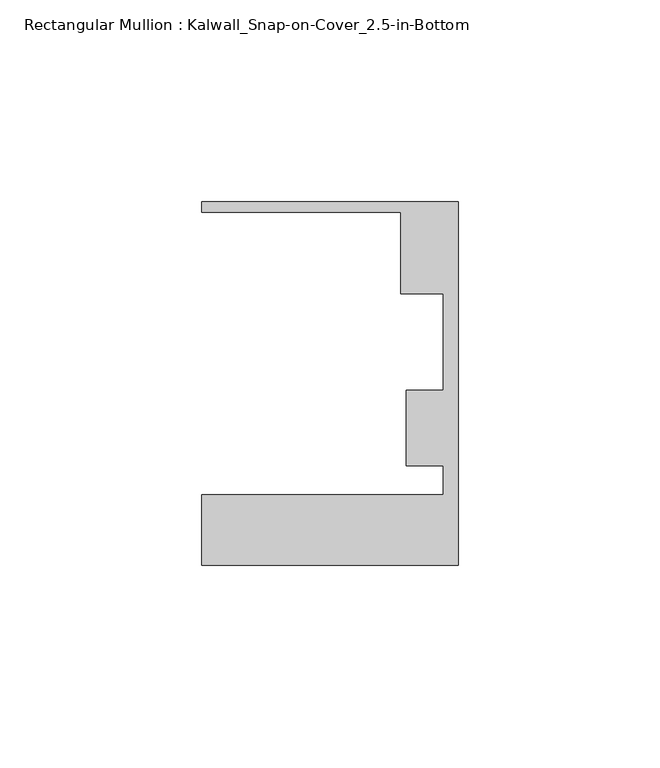
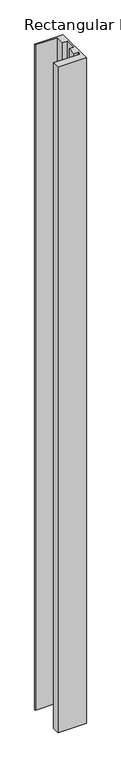
"""IFC4 building model written with IfcOpenShell, lengths in millimetres: member geometry, Rectangular Mullion : Kalwall_Snap-on-Cover_2.5-in-Bottom."""

from ifc_helpers import new_model, si_unit, frame, origin, place, context, project, spatial, polyline, outline, extrude, source, transform, mapped, element, save


def rectangular_mullion_kalwall_snap_on_cover_2_5_in_bottom_0875a0f3(model_context):
    return source(origin(), model_context, "Body", "SweptSolid", [
        extrude(outline(polyline([(0.0, -52.5001386), (-63.5, -52.5001386), (-63.5, -35.0376386), (-3.7084, -35.0376386), (-3.7084, -27.8888568), (-12.8272539, -27.8888568), (-12.8272539, -9.1879886), (-3.7084, -9.1879886), (-3.7084, 14.7439614), (-14.1732, 14.7439614), (-14.1732, 34.9623614), (-63.5, 34.9623614), (-63.5, 37.5023614), (0.0, 37.5023614), (0.0, -52.5001386)])), frame((0.0, 0.0, -1573.4318003), z_axis=(0.0, 0.0, 1.0), x_axis=(1.0, 0.0, 0.0)), (0.0, 0.0, 1.0), 1573.4318003),
    ])


if __name__ == "__main__":
    model = new_model("IFC4")
    model_context = context("Model", 3, world=origin())
    ifc_project = project(units=[si_unit("LENGTHUNIT", "METRE", prefix="MILLI")], contexts=[model_context])
    site = spatial("IfcSite", under=ifc_project)
    building = spatial("IfcBuilding", under=site)
    placement = place(None, origin())
    rectangular_mullion_kalwall_snap_on_cover_2_5_in_bottom_shape = rectangular_mullion_kalwall_snap_on_cover_2_5_in_bottom_0875a0f3(model_context)
    element("IfcMember", 1, ObjectType="Rectangular Mullion : Kalwall_Snap-on-Cover_2.5-in-Bottom", at=placement, inside=building, context=model_context, shape_type="MappedRepresentation", body=[
        mapped(rectangular_mullion_kalwall_snap_on_cover_2_5_in_bottom_shape, transform((0.0, 0.0, 0.0), x_axis=(1.0, 0.0, 0.0), y_axis=(0.0, 1.0, 0.0), z_axis=(0.0, 0.0, 1.0))),
    ])
    save(model, "model.ifc")
